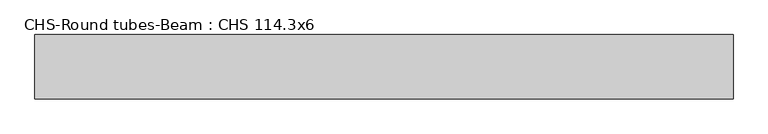
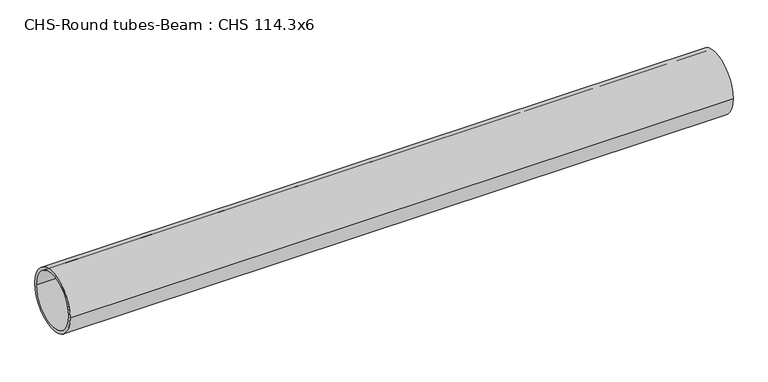
"""IFC4 building model written with IfcOpenShell, lengths in millimetres: beam geometry, CHS-Round tubes-Beam : CHS 114.3x6."""

from ifc_helpers import new_model, si_unit, point, frame, origin, origin_2d, place, context, project, spatial, circle_curve, trimmed, segment, composite_curve, outline, extrude, source, transform, mapped, element, save


def chs_round_tubes_beam_chs_114_3x6_7d6e519d(model_context):
    return source(origin(), model_context, "Body", "SweptSolid", [
        extrude(outline(composite_curve([segment(trimmed(circle_curve(origin_2d(), 57.15), [point((57.15, 0.0))], [point((-57.15, 0.0))], False, "CARTESIAN"), True, "CONTINUOUS"), segment(trimmed(circle_curve(origin_2d(), 57.15), [point((-57.15, 0.0))], [point((57.15, 0.0))], False, "CARTESIAN"), True, "CONTINUOUS")], self_intersect=False), holes=[composite_curve([segment(trimmed(circle_curve(origin_2d(), 51.15), [point((51.15, 0.0))], [point((-51.15, 0.0))], True, "CARTESIAN"), True, "CONTINUOUS"), segment(trimmed(circle_curve(origin_2d(), 51.15), [point((-51.15, 0.0))], [point((51.15, 0.0))], True, "CARTESIAN"), True, "CONTINUOUS")], self_intersect=False)]), frame((-623.0456362, 0.0, 0.0), z_axis=(1.0, 0.0, 0.0), x_axis=(0.0, 1.0, 0.0)), (0.0, 0.0, 1.0), 1241.0763714),
    ])


if __name__ == "__main__":
    model = new_model("IFC4")
    model_context = context("Model", 3, world=origin())
    ifc_project = project(units=[si_unit("LENGTHUNIT", "METRE", prefix="MILLI")], contexts=[model_context])
    site = spatial("IfcSite", under=ifc_project)
    building = spatial("IfcBuilding", under=site)
    placement = place(None, origin())
    chs_round_tubes_beam_chs_114_3x6_shape = chs_round_tubes_beam_chs_114_3x6_7d6e519d(model_context)
    element("IfcBeam", 1, ObjectType="CHS-Round tubes-Beam : CHS 114.3x6", at=placement, inside=building, context=model_context, shape_type="MappedRepresentation", body=[
        mapped(chs_round_tubes_beam_chs_114_3x6_shape, transform((0.0, 0.0, 0.0), x_axis=(1.0, 0.0, 0.0), y_axis=(0.0, 1.0, 0.0), z_axis=(0.0, 0.0, 1.0))),
    ])
    save(model, "model.ifc")
